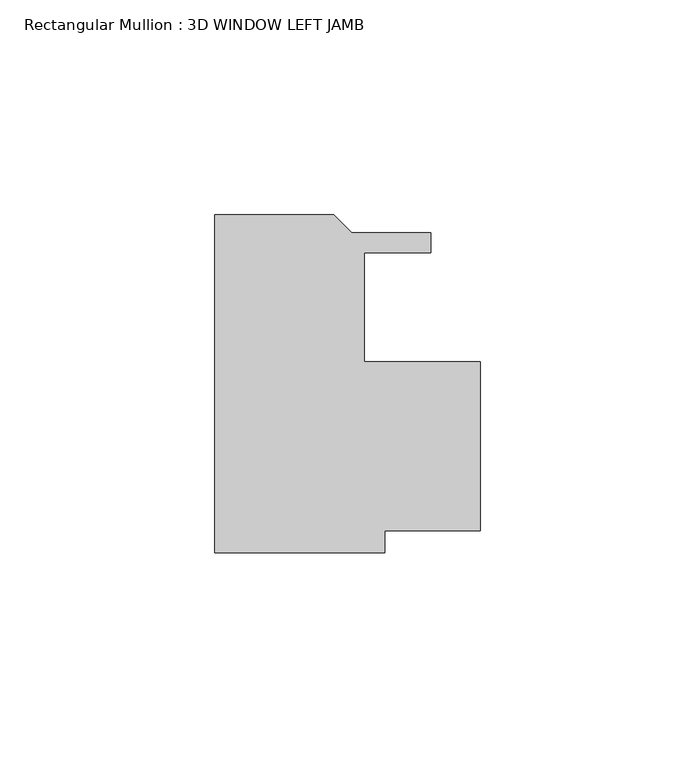
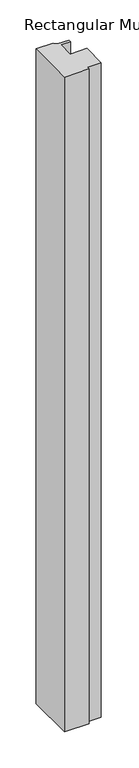
"""IFC4 building model written with IfcOpenShell, lengths in millimetres: member geometry, Rectangular Mullion : 3D WINDOW LEFT JAMB."""

from ifc_helpers import new_model, si_unit, frame, origin, place, context, project, spatial, polyline, outline, extrude, source, transform, mapped, element, save


def rectangular_mullion_3d_window_left_jamb_396a6927(model_context):
    return source(origin(), model_context, "Body", "SweptSolid", [
        extrude(outline(polyline([(0.0, -57.1388465), (0.0, 21.6773962), (27.7764417, 21.6773962), (32.0436417, 17.4101962), (50.4261495, 17.4101962), (50.4261495, 12.7111961), (34.9381058, 12.7111961), (34.9381058, -12.6888039), (61.9125, -12.6888039), (61.9125, -52.0588038), (39.7006057, -52.0588038), (39.7006057, -57.1388465), (0.0, -57.1388465)])), frame((0.0, 0.0, -1106.4815559), z_axis=(0.0, 0.0, 1.0), x_axis=(1.0, 0.0, 0.0)), (0.0, 0.0, 1.0), 1106.4815559),
    ])


if __name__ == "__main__":
    model = new_model("IFC4")
    model_context = context("Model", 3, world=origin())
    ifc_project = project(units=[si_unit("LENGTHUNIT", "METRE", prefix="MILLI")], contexts=[model_context])
    site = spatial("IfcSite", under=ifc_project)
    building = spatial("IfcBuilding", under=site)
    placement = place(None, origin())
    rectangular_mullion_3d_window_left_jamb_shape = rectangular_mullion_3d_window_left_jamb_396a6927(model_context)
    element("IfcMember", 1, ObjectType="Rectangular Mullion : 3D WINDOW LEFT JAMB", at=placement, inside=building, context=model_context, shape_type="MappedRepresentation", body=[
        mapped(rectangular_mullion_3d_window_left_jamb_shape, transform((0.0, 0.0, 0.0), x_axis=(1.0, 0.0, 0.0), y_axis=(0.0, 1.0, 0.0), z_axis=(0.0, 0.0, 1.0))),
    ])
    save(model, "model.ifc")
